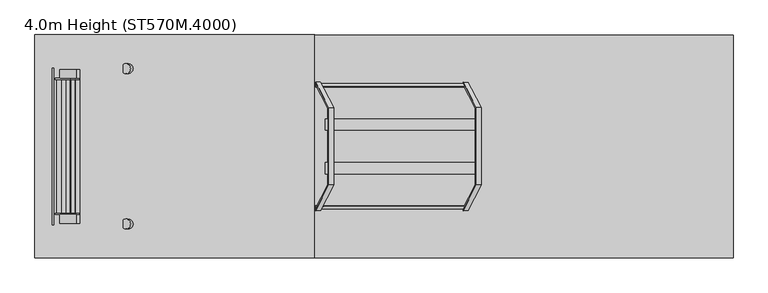
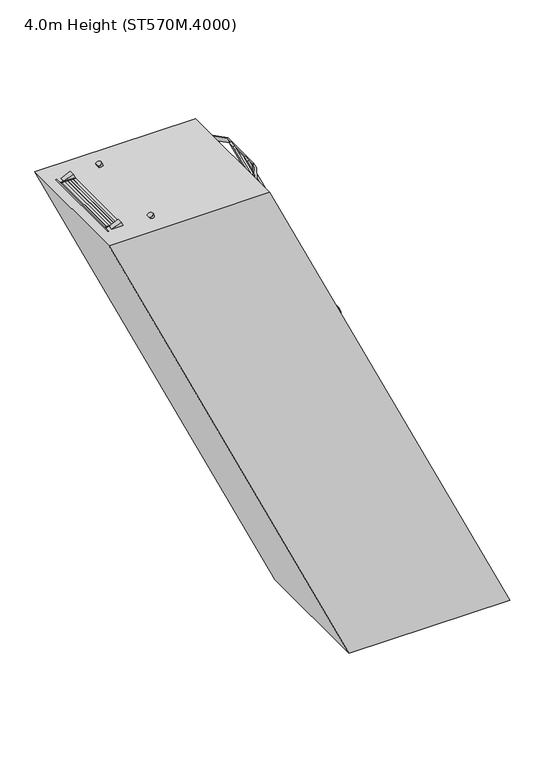
"""IFC4 building model written with IfcOpenShell, lengths in millimetres: proxy geometry, 4.0m Height (ST570M.4000)."""

from ifc_helpers import new_model, si_unit, point, frame, frame_2d, origin, origin_with_axes, place, context, project, spatial, polyline, circle_curve, trimmed, segment, composite_curve, outline, extrude, source, transform, mapped, element, save


def proxy_4_0m_height_st570m_4000_2827c44c(model_context):
    return source(origin(), model_context, "Body", "SweptSolid", [
        extrude(outline(polyline([(3750.0, -171.2610211), (3670.0, -133.9564135), (3670.0, -23.6186164), (3750.0, -60.9232291), (3750.0, -171.2610211)])), frame((0.0, 298.5, 0.0), z_axis=(0.0, 1.0, 0.0), x_axis=(0.0, 0.0, 1.0)), (0.0, 0.0, 1.0), 6.0),
        extrude(outline(polyline([(3750.0, -171.2610211), (3670.0, -133.9564135), (3670.0, -23.6186164), (3750.0, -60.9232291), (3750.0, -171.2610211)])), frame((0.0, -304.5, 0.0), z_axis=(0.0, 1.0, 0.0), x_axis=(0.0, 0.0, 1.0)), (0.0, 0.0, 1.0), 6.0),
        extrude(outline(polyline([(3750.0, -164.0890648), (3712.0999991, -146.4160065), (3712.0999991, -144.2092508), (3747.0, -160.4833862), (3747.0, -61.7310619), (3712.0999991, -45.4569243), (3712.0999991, -43.2501684), (3750.0, -60.9232291), (3750.0, -81.3509702), (3749.2749538, -81.6890648), (3750.0, -82.0271594), (3750.0, -101.9509702), (3749.2749538, -102.2890648), (3750.0, -102.6271594), (3750.0, -122.5509702), (3749.2749538, -122.8890648), (3750.0, -123.2271594), (3750.0, -143.1509702), (3749.2749538, -143.4890648), (3750.0, -143.8271594), (3750.0, -164.0890648)])), frame((0.0, -298.5, 0.0), z_axis=(0.0, 1.0, 0.0), x_axis=(0.0, 0.0, 1.0)), (0.0, 0.0, 1.0), 597.0),
        extrude(outline(polyline([(3500.0, -54.6842502), (3420.0, -17.3796426), (3420.0, 92.9581545), (3500.0, 55.6535419), (3500.0, -54.6842502)])), frame((0.0, 298.5, 0.0), z_axis=(0.0, 1.0, 0.0), x_axis=(0.0, 0.0, 1.0)), (0.0, 0.0, 1.0), 6.0),
        extrude(outline(polyline([(3500.0, -54.6842502), (3420.0, -17.3796426), (3420.0, 92.9581545), (3500.0, 55.6535419), (3500.0, -54.6842502)])), frame((0.0, -304.5, 0.0), z_axis=(0.0, 1.0, 0.0), x_axis=(0.0, 0.0, 1.0)), (0.0, 0.0, 1.0), 6.0),
        extrude(outline(polyline([(3500.0, -47.5122939), (3462.0999991, -29.8392356), (3462.0999991, -27.6324798), (3497.0, -43.9066153), (3497.0, 54.845709), (3462.0999991, 71.1198467), (3462.0999991, 73.3266025), (3500.0, 55.6535419), (3500.0, 35.2258007), (3499.2749538, 34.8877061), (3500.0, 34.5496116), (3500.0, 14.6258007), (3499.2749538, 14.2877061), (3500.0, 13.9496116), (3500.0, -5.9741993), (3499.2749538, -6.3122939), (3500.0, -6.6503884), (3500.0, -26.5741993), (3499.2749538, -26.9122939), (3500.0, -27.2503884), (3500.0, -47.5122939)])), frame((0.0, -298.5, 0.0), z_axis=(0.0, 1.0, 0.0), x_axis=(0.0, 0.0, 1.0)), (0.0, 0.0, 1.0), 597.0),
        extrude(outline(polyline([(3250.0, 61.8925208), (3170.0, 99.1971284), (3170.0, 209.5349255), (3250.0, 172.2303128), (3250.0, 61.8925208)])), frame((0.0, 298.5, 0.0), z_axis=(0.0, 1.0, 0.0), x_axis=(0.0, 0.0, 1.0)), (0.0, 0.0, 1.0), 6.0),
        extrude(outline(polyline([(3250.0, 61.8925208), (3170.0, 99.1971284), (3170.0, 209.5349255), (3250.0, 172.2303128), (3250.0, 61.8925208)])), frame((0.0, -304.5, 0.0), z_axis=(0.0, 1.0, 0.0), x_axis=(0.0, 0.0, 1.0)), (0.0, 0.0, 1.0), 6.0),
        extrude(outline(polyline([(3250.0, 69.0644771), (3212.0999991, 86.7375353), (3212.0999991, 88.9442911), (3247.0, 72.6701557), (3247.0, 171.4224799), (3212.0999991, 187.6966176), (3212.0999991, 189.9033734), (3250.0, 172.2303128), (3250.0, 151.8025717), (3249.2749538, 151.4644771), (3250.0, 151.1263825), (3250.0, 131.2025717), (3249.2749538, 130.8644771), (3250.0, 130.5263825), (3250.0, 110.6025717), (3249.2749538, 110.2644771), (3250.0, 109.9263825), (3250.0, 90.0025717), (3249.2749538, 89.6644771), (3250.0, 89.3263825), (3250.0, 69.0644771)])), frame((0.0, -298.5, 0.0), z_axis=(0.0, 1.0, 0.0), x_axis=(0.0, 0.0, 1.0)), (0.0, 0.0, 1.0), 597.0),
        extrude(outline(polyline([(3000.0, 178.4692917), (2920.0, 215.7738993), (2920.0, 326.1116964), (3000.0, 288.8070837), (3000.0, 178.4692917)])), frame((0.0, 298.5, 0.0), z_axis=(0.0, 1.0, 0.0), x_axis=(0.0, 0.0, 1.0)), (0.0, 0.0, 1.0), 6.0),
        extrude(outline(polyline([(3000.0, 178.4692917), (2920.0, 215.7738993), (2920.0, 326.1116964), (3000.0, 288.8070837), (3000.0, 178.4692917)])), frame((0.0, -304.5, 0.0), z_axis=(0.0, 1.0, 0.0), x_axis=(0.0, 0.0, 1.0)), (0.0, 0.0, 1.0), 6.0),
        extrude(outline(polyline([(3000.0, 185.641248), (2962.0999991, 203.3143063), (2962.0999991, 205.5210621), (2997.0, 189.2469266), (2997.0, 287.9992509), (2962.0999991, 304.2733885), (2962.0999991, 306.4801444), (3000.0, 288.8070837), (3000.0, 268.3793426), (2999.2749538, 268.041248), (3000.0, 267.7031534), (3000.0, 247.7793426), (2999.2749538, 247.441248), (3000.0, 247.1031534), (3000.0, 227.1793426), (2999.2749538, 226.841248), (3000.0, 226.5031534), (3000.0, 206.5793426), (2999.2749538, 206.241248), (3000.0, 205.9031534), (3000.0, 185.641248)])), frame((0.0, -298.5, 0.0), z_axis=(0.0, 1.0, 0.0), x_axis=(0.0, 0.0, 1.0)), (0.0, 0.0, 1.0), 597.0),
        extrude(outline(polyline([(2750.0, 295.0460627), (2670.0, 332.3506703), (2670.0, 442.6884673), (2750.0, 405.3838547), (2750.0, 295.0460627)])), frame((0.0, 298.5, 0.0), z_axis=(0.0, 1.0, 0.0), x_axis=(0.0, 0.0, 1.0)), (0.0, 0.0, 1.0), 6.0),
        extrude(outline(polyline([(2750.0, 295.0460627), (2670.0, 332.3506703), (2670.0, 442.6884673), (2750.0, 405.3838547), (2750.0, 295.0460627)])), frame((0.0, -304.5, 0.0), z_axis=(0.0, 1.0, 0.0), x_axis=(0.0, 0.0, 1.0)), (0.0, 0.0, 1.0), 6.0),
        extrude(outline(polyline([(2750.0, 302.218019), (2712.0999991, 319.8910772), (2712.0999991, 322.097833), (2747.0, 305.8236975), (2747.0, 404.5760218), (2712.0999991, 420.8501595), (2712.0999991, 423.0569153), (2750.0, 405.3838547), (2750.0, 384.9561135), (2749.2749538, 384.618019), (2750.0, 384.2799244), (2750.0, 364.3561135), (2749.2749538, 364.018019), (2750.0, 363.6799244), (2750.0, 343.7561135), (2749.2749538, 343.418019), (2750.0, 343.0799244), (2750.0, 323.1561135), (2749.2749538, 322.818019), (2750.0, 322.4799244), (2750.0, 302.218019)])), frame((0.0, -298.5, 0.0), z_axis=(0.0, 1.0, 0.0), x_axis=(0.0, 0.0, 1.0)), (0.0, 0.0, 1.0), 597.0),
        extrude(outline(polyline([(2500.0, 411.6228336), (2420.0, 448.9274412), (2420.0, 559.2652383), (2500.0, 521.9606256), (2500.0, 411.6228336)])), frame((0.0, 298.5, 0.0), z_axis=(0.0, 1.0, 0.0), x_axis=(0.0, 0.0, 1.0)), (0.0, 0.0, 1.0), 6.0),
        extrude(outline(polyline([(2500.0, 411.6228336), (2420.0, 448.9274412), (2420.0, 559.2652383), (2500.0, 521.9606256), (2500.0, 411.6228336)])), frame((0.0, -304.5, 0.0), z_axis=(0.0, 1.0, 0.0), x_axis=(0.0, 0.0, 1.0)), (0.0, 0.0, 1.0), 6.0),
        extrude(outline(polyline([(2500.0, 418.7947899), (2462.0999991, 436.4678481), (2462.0999991, 438.6746039), (2497.0, 422.4004685), (2497.0, 521.1527927), (2462.0999991, 537.4269304), (2462.0999991, 539.6336863), (2500.0, 521.9606256), (2500.0, 501.5328845), (2499.2749538, 501.1947899), (2500.0, 500.8566953), (2500.0, 480.9328845), (2499.2749538, 480.5947899), (2500.0, 480.2566953), (2500.0, 460.3328845), (2499.2749538, 459.9947899), (2500.0, 459.6566953), (2500.0, 439.7328845), (2499.2749538, 439.3947899), (2500.0, 439.0566953), (2500.0, 418.7947899)])), frame((0.0, -298.5, 0.0), z_axis=(0.0, 1.0, 0.0), x_axis=(0.0, 0.0, 1.0)), (0.0, 0.0, 1.0), 597.0),
        extrude(outline(polyline([(2250.0, 528.1996045), (2170.0, 565.5042121), (2170.0, 675.8420092), (2250.0, 638.5373965), (2250.0, 528.1996045)])), frame((0.0, 298.5, 0.0), z_axis=(0.0, 1.0, 0.0), x_axis=(0.0, 0.0, 1.0)), (0.0, 0.0, 1.0), 6.0),
        extrude(outline(polyline([(2250.0, 528.1996045), (2170.0, 565.5042121), (2170.0, 675.8420092), (2250.0, 638.5373965), (2250.0, 528.1996045)])), frame((0.0, -304.5, 0.0), z_axis=(0.0, 1.0, 0.0), x_axis=(0.0, 0.0, 1.0)), (0.0, 0.0, 1.0), 6.0),
        extrude(outline(polyline([(2250.0, 535.3715608), (2212.0999991, 553.0446191), (2212.0999991, 555.2513749), (2247.0, 538.9772394), (2247.0, 637.7295637), (2212.0999991, 654.0037014), (2212.0999991, 656.2104572), (2250.0, 638.5373965), (2250.0, 618.1096554), (2249.2749538, 617.7715608), (2250.0, 617.4334663), (2250.0, 597.5096554), (2249.2749538, 597.1715608), (2250.0, 596.8334663), (2250.0, 576.9096554), (2249.2749538, 576.5715608), (2250.0, 576.2334663), (2250.0, 556.3096554), (2249.2749538, 555.9715608), (2250.0, 555.6334663), (2250.0, 535.3715608)])), frame((0.0, -298.5, 0.0), z_axis=(0.0, 1.0, 0.0), x_axis=(0.0, 0.0, 1.0)), (0.0, 0.0, 1.0), 597.0),
        extrude(outline(polyline([(2000.0, 644.7763755), (1920.0, 682.0809831), (1920.0, 792.4187801), (2000.0, 755.1141675), (2000.0, 644.7763755)])), frame((0.0, 298.5, 0.0), z_axis=(0.0, 1.0, 0.0), x_axis=(0.0, 0.0, 1.0)), (0.0, 0.0, 1.0), 6.0),
        extrude(outline(polyline([(2000.0, 644.7763755), (1920.0, 682.0809831), (1920.0, 792.4187801), (2000.0, 755.1141675), (2000.0, 644.7763755)])), frame((0.0, -304.5, 0.0), z_axis=(0.0, 1.0, 0.0), x_axis=(0.0, 0.0, 1.0)), (0.0, 0.0, 1.0), 6.0),
        extrude(outline(polyline([(2000.0, 651.9483318), (1962.0999991, 669.62139), (1962.0999991, 671.8281458), (1997.0, 655.5540103), (1997.0, 754.3063346), (1962.0999991, 770.5804723), (1962.0999991, 772.7872281), (2000.0, 755.1141675), (2000.0, 734.6864263), (1999.2749538, 734.3483318), (2000.0, 734.0102372), (2000.0, 714.0864263), (1999.2749538, 713.7483318), (2000.0, 713.4102372), (2000.0, 693.4864263), (1999.2749538, 693.1483318), (2000.0, 692.8102372), (2000.0, 672.8864263), (1999.2749538, 672.5483318), (2000.0, 672.2102372), (2000.0, 651.9483318)])), frame((0.0, -298.5, 0.0), z_axis=(0.0, 1.0, 0.0), x_axis=(0.0, 0.0, 1.0)), (0.0, 0.0, 1.0), 597.0),
        extrude(outline(polyline([(1750.0, 761.3531464), (1670.0, 798.657754), (1670.0, 908.9955511), (1750.0, 871.6909384), (1750.0, 761.3531464)])), frame((0.0, 298.5, 0.0), z_axis=(0.0, 1.0, 0.0), x_axis=(0.0, 0.0, 1.0)), (0.0, 0.0, 1.0), 6.0),
        extrude(outline(polyline([(1750.0, 761.3531464), (1670.0, 798.657754), (1670.0, 908.9955511), (1750.0, 871.6909384), (1750.0, 761.3531464)])), frame((0.0, -304.5, 0.0), z_axis=(0.0, 1.0, 0.0), x_axis=(0.0, 0.0, 1.0)), (0.0, 0.0, 1.0), 6.0),
        extrude(outline(polyline([(1750.0, 768.5251027), (1712.0999991, 786.1981609), (1712.0999991, 788.4049167), (1747.0, 772.1307813), (1747.0, 870.8831056), (1712.0999991, 887.1572432), (1712.0999991, 889.3639991), (1750.0, 871.6909384), (1750.0, 851.2631973), (1749.2749538, 850.9251027), (1750.0, 850.5870081), (1750.0, 830.6631973), (1749.2749538, 830.3251027), (1750.0, 829.9870081), (1750.0, 810.0631973), (1749.2749538, 809.7251027), (1750.0, 809.3870081), (1750.0, 789.4631973), (1749.2749538, 789.1251027), (1750.0, 788.7870081), (1750.0, 768.5251027)])), frame((0.0, -298.5, 0.0), z_axis=(0.0, 1.0, 0.0), x_axis=(0.0, 0.0, 1.0)), (0.0, 0.0, 1.0), 597.0),
        extrude(outline(polyline([(1500.0, 877.9299173), (1420.0, 915.2345249), (1420.0, 1025.572322), (1500.0, 988.2677094), (1500.0, 877.9299173)])), frame((0.0, 298.5, 0.0), z_axis=(0.0, 1.0, 0.0), x_axis=(0.0, 0.0, 1.0)), (0.0, 0.0, 1.0), 6.0),
        extrude(outline(polyline([(1500.0, 877.9299173), (1420.0, 915.2345249), (1420.0, 1025.572322), (1500.0, 988.2677094), (1500.0, 877.9299173)])), frame((0.0, -304.5, 0.0), z_axis=(0.0, 1.0, 0.0), x_axis=(0.0, 0.0, 1.0)), (0.0, 0.0, 1.0), 6.0),
        extrude(outline(polyline([(1500.0, 885.1018736), (1462.0999991, 902.7749319), (1462.0999991, 904.9816877), (1497.0, 888.7075522), (1497.0, 987.4598765), (1462.0999991, 1003.7340142), (1462.0999991, 1005.94077), (1500.0, 988.2677094), (1500.0, 967.8399682), (1499.2749538, 967.5018736), (1500.0, 967.1637791), (1500.0, 947.2399682), (1499.2749538, 946.9018736), (1500.0, 946.5637791), (1500.0, 926.6399682), (1499.2749538, 926.3018736), (1500.0, 925.9637791), (1500.0, 906.0399682), (1499.2749538, 905.7018736), (1500.0, 905.3637791), (1500.0, 885.1018736)])), frame((0.0, -298.5, 0.0), z_axis=(0.0, 1.0, 0.0), x_axis=(0.0, 0.0, 1.0)), (0.0, 0.0, 1.0), 597.0),
        extrude(outline(polyline([(1250.0, 994.5066883), (1170.0, 1031.8112959), (1170.0, 1142.1490929), (1250.0, 1104.8444803), (1250.0, 994.5066883)])), frame((0.0, 298.5, 0.0), z_axis=(0.0, 1.0, 0.0), x_axis=(0.0, 0.0, 1.0)), (0.0, 0.0, 1.0), 6.0),
        extrude(outline(polyline([(1250.0, 994.5066883), (1170.0, 1031.8112959), (1170.0, 1142.1490929), (1250.0, 1104.8444803), (1250.0, 994.5066883)])), frame((0.0, -304.5, 0.0), z_axis=(0.0, 1.0, 0.0), x_axis=(0.0, 0.0, 1.0)), (0.0, 0.0, 1.0), 6.0),
        extrude(outline(polyline([(1250.0, 1001.6786446), (1212.0999991, 1019.3517028), (1212.0999991, 1021.5584586), (1247.0, 1005.2843231), (1247.0, 1104.0366474), (1212.0999991, 1120.3107851), (1212.0999991, 1122.5175409), (1250.0, 1104.8444803), (1250.0, 1084.4167391), (1249.2749538, 1084.0786446), (1250.0, 1083.74055), (1250.0, 1063.8167391), (1249.2749538, 1063.4786446), (1250.0, 1063.14055), (1250.0, 1043.2167391), (1249.2749538, 1042.8786446), (1250.0, 1042.54055), (1250.0, 1022.6167391), (1249.2749538, 1022.2786446), (1250.0, 1021.94055), (1250.0, 1001.6786446)])), frame((0.0, -298.5, 0.0), z_axis=(0.0, 1.0, 0.0), x_axis=(0.0, 0.0, 1.0)), (0.0, 0.0, 1.0), 597.0),
        extrude(outline(polyline([(1000.0, 1111.0834592), (920.0, 1148.3880668), (920.0, 1258.7258639), (1000.0, 1221.4212512), (1000.0, 1111.0834592)])), frame((0.0, 298.5, 0.0), z_axis=(0.0, 1.0, 0.0), x_axis=(0.0, 0.0, 1.0)), (0.0, 0.0, 1.0), 6.0),
        extrude(outline(polyline([(1000.0, 1111.0834592), (920.0, 1148.3880668), (920.0, 1258.7258639), (1000.0, 1221.4212512), (1000.0, 1111.0834592)])), frame((0.0, -304.5, 0.0), z_axis=(0.0, 1.0, 0.0), x_axis=(0.0, 0.0, 1.0)), (0.0, 0.0, 1.0), 6.0),
        extrude(outline(polyline([(1000.0, 1118.2554155), (962.0999991, 1135.9284737), (962.0999991, 1138.1352295), (997.0, 1121.8610941), (997.0, 1220.6134184), (962.0999991, 1236.887556), (962.0999991, 1239.0943119), (1000.0, 1221.4212512), (1000.0, 1200.9935101), (999.2749538, 1200.6554155), (1000.0, 1200.3173209), (1000.0, 1180.3935101), (999.2749538, 1180.0554155), (1000.0, 1179.7173209), (1000.0, 1159.7935101), (999.2749538, 1159.4554155), (1000.0, 1159.1173209), (1000.0, 1139.1935101), (999.2749538, 1138.8554155), (1000.0, 1138.5173209), (1000.0, 1118.2554155)])), frame((0.0, -298.5, 0.0), z_axis=(0.0, 1.0, 0.0), x_axis=(0.0, 0.0, 1.0)), (0.0, 0.0, 1.0), 597.0),
        extrude(outline(polyline([(750.0, 1227.6602301), (670.0, 1264.9648377), (670.0, 1375.3026348), (750.0, 1337.9980222), (750.0, 1227.6602301)])), frame((0.0, 298.5, 0.0), z_axis=(0.0, 1.0, 0.0), x_axis=(0.0, 0.0, 1.0)), (0.0, 0.0, 1.0), 6.0),
        extrude(outline(polyline([(750.0, 1227.6602301), (670.0, 1264.9648377), (670.0, 1375.3026348), (750.0, 1337.9980222), (750.0, 1227.6602301)])), frame((0.0, -304.5, 0.0), z_axis=(0.0, 1.0, 0.0), x_axis=(0.0, 0.0, 1.0)), (0.0, 0.0, 1.0), 6.0),
        extrude(outline(polyline([(750.0, 1234.8321864), (712.0999991, 1252.5052447), (712.0999991, 1254.7120005), (747.0, 1238.437865), (747.0, 1337.1901893), (712.0999991, 1353.464327), (712.0999991, 1355.6710828), (750.0, 1337.9980222), (750.0, 1317.570281), (749.2749538, 1317.2321864), (750.0, 1316.8940919), (750.0, 1296.970281), (749.2749538, 1296.6321864), (750.0, 1296.2940919), (750.0, 1276.370281), (749.2749538, 1276.0321864), (750.0, 1275.6940919), (750.0, 1255.770281), (749.2749538, 1255.4321864), (750.0, 1255.0940919), (750.0, 1234.8321864)])), frame((0.0, -298.5, 0.0), z_axis=(0.0, 1.0, 0.0), x_axis=(0.0, 0.0, 1.0)), (0.0, 0.0, 1.0), 597.0),
        extrude(outline(polyline([(500.0, 1344.2370011), (420.0, 1381.5416087), (420.0, 1491.8794057), (500.0, 1454.5747931), (500.0, 1344.2370011)])), frame((0.0, 298.5, 0.0), z_axis=(0.0, 1.0, 0.0), x_axis=(0.0, 0.0, 1.0)), (0.0, 0.0, 1.0), 6.0),
        extrude(outline(polyline([(500.0, 1344.2370011), (420.0, 1381.5416087), (420.0, 1491.8794057), (500.0, 1454.5747931), (500.0, 1344.2370011)])), frame((0.0, -304.5, 0.0), z_axis=(0.0, 1.0, 0.0), x_axis=(0.0, 0.0, 1.0)), (0.0, 0.0, 1.0), 6.0),
        extrude(outline(polyline([(500.0, 1351.4089574), (462.0999991, 1369.0820156), (462.0999991, 1371.2887714), (497.0, 1355.0146359), (497.0, 1453.7669602), (462.0999991, 1470.0410979), (462.0999991, 1472.2478537), (500.0, 1454.5747931), (500.0, 1434.1470519), (499.2749538, 1433.8089574), (500.0, 1433.4708628), (500.0, 1413.5470519), (499.2749538, 1413.2089574), (500.0, 1412.8708628), (500.0, 1392.9470519), (499.2749538, 1392.6089574), (500.0, 1392.2708628), (500.0, 1372.3470519), (499.2749538, 1372.0089574), (500.0, 1371.6708628), (500.0, 1351.4089574)])), frame((0.0, -298.5, 0.0), z_axis=(0.0, 1.0, 0.0), x_axis=(0.0, 0.0, 1.0)), (0.0, 0.0, 1.0), 597.0),
        extrude(outline(polyline([(644.0702537, 296.0), (650.0702537, 296.0), (650.0702537, 246.0), (644.0702537, 246.0), (644.0702537, 296.0)])), frame((0.0, 0.0, 1937.9937046), z_axis=(0.0, 0.0, 1.0), x_axis=(1.0, 0.0, 0.0)), (0.0, 0.0, 1.0), 120.0),
        extrude(outline(polyline([(1999.9937046, 755.1160979), (2057.9937046, 728.0702537), (2057.9937046, 650.0702537), (1999.9937046, 650.0702537), (1999.9937046, 755.1160979)])), frame((0.0, 252.0, 0.0), z_axis=(0.0, 1.0, 0.0), x_axis=(0.0, 0.0, 1.0)), (0.0, 0.0, 1.0), 38.0),
        extrude(outline(polyline([(650.0702537, -296.0), (644.0702537, -296.0), (644.0702537, -246.0), (650.0702537, -246.0), (650.0702537, -296.0)])), frame((0.0, 0.0, 1937.9937046), z_axis=(0.0, 0.0, 1.0), x_axis=(1.0, 0.0, 0.0)), (0.0, 0.0, 1.0), 120.0),
        extrude(outline(polyline([(1999.9937046, 755.1160979), (2057.9937046, 728.0702537), (2057.9937046, 650.0702537), (1999.9937046, 650.0702537), (1999.9937046, 755.1160979)])), frame((0.0, -290.0, 0.0), z_axis=(0.0, 1.0, 0.0), x_axis=(0.0, 0.0, 1.0)), (0.0, 0.0, 1.0), 38.0),
        extrude(outline(polyline([(0.0, -590.0), (0.0, 0.0), (2.0, 0.0), (2.0, -590.0), (0.0, -590.0)])), frame((1708.8743802, -295.0, 49.300531), z_axis=(-0.4226182617407114, 0.0, 0.9063077870366444), x_axis=(-0.9063077870366444, 0.0, -0.4226182617407114)), (0.0, 0.0, 1.0), 2240.0),
        extrude(outline(polyline([(2250.0, 0.0), (2250.0, -600.0), (0.0, -600.0), (0.0, 0.0), (2250.0, 0.0)]), holes=[polyline([(1096.0, -58.0), (58.0, -58.0), (58.0, -542.0), (1096.0, -542.0), (1096.0, -58.0)]), polyline([(1153.9999999, -542.0), (2192.0, -542.0), (2192.0, -58.0), (1153.9999999, -58.0), (1153.9999999, -542.0)])]), frame((723.8440711, 300.0, 2067.0567824), z_axis=(0.9063077870366444, 0.0, 0.4226182617407114), x_axis=(0.4226182617407114, 0.0, -0.9063077870366444)), (0.0, 0.0, 1.0), 38.0),
        extrude(outline(polyline([(0.0, 0.0), (79.9999999, 0.0), (79.9999999, -6.0), (6.0, -6.0), (6.0, -50.0), (0.0, -50.0), (0.0, 0.0)])), frame((1607.1162381, 343.0, 172.8735075), z_axis=(-0.4226182617407114, 0.0, 0.9063077870366444), x_axis=(-0.9063077870366444, 0.0, -0.4226182617407114)), (0.0, 0.0, 1.0), 50.0),
        extrude(outline(polyline([(0.0, 686.0), (0.0, 736.0), (6.0, 736.0), (6.0, 692.0), (79.9999999, 692.0), (79.9999999, 686.0), (0.0, 686.0)])), frame((1607.1162381, 343.0, 172.8735075), z_axis=(-0.4226182617407114, 0.0, 0.9063077870366444), x_axis=(-0.9063077870366444, 0.0, -0.4226182617407114)), (0.0, 0.0, 1.0), 50.0),
        extrude(outline(polyline([(-100.0, 0.0), (0.0, 0.0), (0.0, -50.0), (-6.0, -50.0), (-6.0, -6.0), (-100.0, -6.0), (-100.0, 0.0)])), frame((1607.1162381, -300.0, 172.8735075), z_axis=(-0.4226182617407114, 0.0, 0.9063077870366444), x_axis=(0.0, 1.0, 0.0)), (0.0, 0.0, 1.0), 50.0),
        extrude(outline(polyline([(700.0, 0.0), (700.0, -6.0), (606.0, -6.0), (606.0, -50.0), (600.0, -50.0), (600.0, 0.0), (700.0, 0.0)])), frame((1607.1162381, -300.0, 172.8735075), z_axis=(-0.4226182617407114, 0.0, 0.9063077870366444), x_axis=(0.0, 1.0, 0.0)), (0.0, 0.0, 1.0), 50.0),
        extrude(outline(polyline([(1117.384258, 1210.8187587), (1131.778934, 1257.0685512), (1037.5229241, 1301.0208504), (1011.3462469, 1260.2650953), (988.6885523, 1270.8305519), (992.9147349, 1279.8936297), (1007.4156595, 1273.1317376), (1033.5923367, 1313.8874926), (1144.1618867, 1262.3280647), (1129.7672107, 1216.0782722), (1144.2681353, 1209.31638), (1140.0419527, 1200.2533022), (1117.384258, 1210.8187587)])), frame((0.0, 201.0, 0.0), z_axis=(0.0, 1.0, 0.0), x_axis=(0.0, 0.0, 1.0)), (0.0, 0.0, 1.0), 44.0),
        extrude(outline(polyline([(1117.384258, 1210.8187587), (1131.778934, 1257.0685512), (1037.5229241, 1301.0208504), (1011.3462469, 1260.2650953), (988.6885523, 1270.8305519), (992.9147349, 1279.8936297), (1007.4156595, 1273.1317376), (1033.5923367, 1313.8874926), (1144.1618867, 1262.3280647), (1129.7672107, 1216.0782722), (1144.2681353, 1209.31638), (1140.0419527, 1200.2533022), (1117.384258, 1210.8187587)])), frame((0.0, -245.0, 0.0), z_axis=(0.0, 1.0, 0.0), x_axis=(0.0, 0.0, 1.0)), (0.0, 0.0, 1.0), 44.0),
        extrude(outline(polyline([(-6.0, 0.0), (0.0, 0.0), (0.0, -77.584026), (99.0, -180.584026), (99.0, -827.0), (-1.0, -995.0), (-176.0, -1095.0), (-522.0, -1095.0), (-697.0, -995.0), (-797.0, -827.0), (-797.0, -180.584026), (-698.0, -77.584026), (-698.0, 0.0), (-692.0, 0.0), (-692.0, -80.0), (-791.0, -183.0000001), (-791.0, -825.4066134), (-692.6024049, -990.6024049), (-520.4066134, -1089.0), (-177.5933866, -1089.0), (-5.3975951, -990.6024049), (93.0, -825.4066134), (93.0, -183.0000001), (-6.0, -80.0), (-6.0, 0.0)])), frame((620.2121629, 349.0, 2100.0), z_axis=(-0.4226182617407114, 0.0, 0.9063077870366444), x_axis=(0.0, 1.0, 0.0)), (0.0, 0.0, 1.0), 50.0),
        extrude(outline(polyline([(0.0, 0.0), (50.0, 0.0), (50.0, -12.0), (0.0, -12.0), (0.0, 0.0)])), frame((1036.2074372, 430.0, 2293.9817821), z_axis=(-0.4226182617407114, 0.0, 0.9063077870366444), x_axis=(-0.9063077870366444, 0.0, -0.4226182617407114)), (0.0, 0.0, 1.0), 1606.418046),
        extrude(outline(polyline([(-210.0, 0.0), (-160.0, 0.0), (-160.0, -12.0), (-210.0, -12.0), (-210.0, 0.0)])), frame((1036.2074372, 430.0, 2293.9817821), z_axis=(-0.4226182617407114, 0.0, 0.9063077870366444), x_axis=(-0.9063077870366444, 0.0, -0.4226182617407114)), (0.0, 0.0, 1.0), 1606.418046),
        extrude(outline(polyline([(-630.0, 357.5), (-618.0, 357.5), (-618.0, 307.5), (-630.0, 307.5), (-630.0, 357.5)])), frame((1036.2074372, 430.0, 2293.9817821), z_axis=(-0.4226182617407114, 0.0, 0.9063077870366444), x_axis=(-0.9063077870366444, 0.0, -0.4226182617407114)), (0.0, 0.0, 1.0), 1606.418046),
        extrude(outline(polyline([(-630.0, 552.5), (-618.0, 552.5), (-618.0, 502.5), (-630.0, 502.5), (-630.0, 552.5)])), frame((1036.2074372, 430.0, 2293.9817821), z_axis=(-0.4226182617407114, 0.0, 0.9063077870366444), x_axis=(-0.9063077870366444, 0.0, -0.4226182617407114)), (0.0, 0.0, 1.0), 1606.418046),
        extrude(outline(polyline([(-210.0, 872.0), (-160.0, 872.0), (-160.0, 860.0), (-210.0, 860.0), (-210.0, 872.0)])), frame((1036.2074372, 430.0, 2293.9817821), z_axis=(-0.4226182617407114, 0.0, 0.9063077870366444), x_axis=(-0.9063077870366444, 0.0, -0.4226182617407114)), (0.0, 0.0, 1.0), 1606.418046),
        extrude(outline(polyline([(0.0, 872.0), (50.0, 872.0), (50.0, 860.0), (0.0, 860.0), (0.0, 872.0)])), frame((1036.2074372, 430.0, 2293.9817821), z_axis=(-0.4226182617407114, 0.0, 0.9063077870366444), x_axis=(-0.9063077870366444, 0.0, -0.4226182617407114)), (0.0, 0.0, 1.0), 1606.418046),
        extrude(outline(polyline([(-416.178252, 29.5287957), (-373.2212406, 3.9417841), (-379.3621234, -6.3678986), (-422.3191348, 19.2191129), (-416.178252, 29.5287957)])), frame((1036.2074372, 430.0, 2293.9817821), z_axis=(-0.4226182617407114, 0.0, 0.9063077870366444), x_axis=(-0.9063077870366444, 0.0, -0.4226182617407114)), (0.0, 0.0, 1.0), 1606.418046),
        extrude(outline(polyline([(-578.1954412, 161.8104088), (-567.7765236, 167.7640761), (-542.9695766, 124.351919), (-553.3884944, 118.3982517), (-578.1954412, 161.8104088)])), frame((1036.2074372, 430.0, 2293.9817821), z_axis=(-0.4226182617407114, 0.0, 0.9063077870366444), x_axis=(-0.9063077870366444, 0.0, -0.4226182617407114)), (0.0, 0.0, 1.0), 1606.418046),
        extrude(outline(polyline([(-416.178252, 830.4712043), (-422.3191348, 840.7808871), (-379.3621234, 866.3678986), (-373.2212406, 856.0582159), (-416.178252, 830.4712043)])), frame((1036.2074372, 430.0, 2293.9817821), z_axis=(-0.4226182617407114, 0.0, 0.9063077870366444), x_axis=(-0.9063077870366444, 0.0, -0.4226182617407114)), (0.0, 0.0, 1.0), 1606.418046),
        extrude(outline(polyline([(-578.1954412, 698.1895912), (-553.3884944, 741.6017483), (-542.9695766, 735.648081), (-567.7765236, 692.2359239), (-578.1954412, 698.1895912)])), frame((1036.2074372, 430.0, 2293.9817821), z_axis=(-0.4226182617407114, 0.0, 0.9063077870366444), x_axis=(-0.9063077870366444, 0.0, -0.4226182617407114)), (0.0, 0.0, 1.0), 1606.418046),
        extrude(outline(polyline([(-6.0, 0.0), (0.0, 0.0), (0.0, -77.584026), (99.0, -180.5840259), (99.0, -827.0), (-1.0, -995.0), (-176.0, -1095.0), (-522.0, -1095.0), (-697.0, -995.0), (-797.0, -827.0), (-797.0, -180.5840259), (-698.0, -77.584026), (-698.0, 0.0), (-692.0, 0.0), (-692.0, -79.9999999), (-791.0, -183.0), (-791.0, -825.4066133), (-692.6024049, -990.6024049), (-520.4066134, -1089.0), (-177.5933866, -1089.0), (-5.3975951, -990.6024049), (93.0, -825.4066133), (93.0, -183.0), (-6.0, -79.9999999), (-6.0, 0.0)])), frame((-37.5585262, 349.0, 3510.593795), z_axis=(-0.4226182617407114, 0.0, 0.9063077870366444), x_axis=(0.0, 1.0, 0.0)), (0.0, 0.0, 1.0), 50.0),
        extrude(outline(polyline([(0.0, -32.0), (0.0, 0.0), (3.0, 0.0), (3.0, -32.0), (0.0, -32.0)])), frame((747.3444812, 331.0, 2441.3931744), z_axis=(-0.4226182617407114, 0.0, 0.9063077870366444), x_axis=(-0.9063077870366444, 0.0, -0.4226182617407114)), (0.0, 0.0, 1.0), 140.0),
        extrude(outline(polyline([(0.0, -32.0), (0.0, 0.0), (3.0, 0.0), (3.0, -32.0), (0.0, -32.0)])), frame((1394.2628182, 331.0, 1054.0723238), z_axis=(-0.4226182617407114, 0.0, 0.9063077870366444), x_axis=(-0.9063077870366444, 0.0, -0.4226182617407114)), (0.0, 0.0, 1.0), 140.0),
        extrude(outline(polyline([(0.0, -32.0), (0.0, 0.0), (3.0, 0.0), (3.0, -32.0), (0.0, -32.0)])), frame((100.4261443, 331.0, 3828.7140249), z_axis=(-0.4226182617407114, 0.0, 0.9063077870366444), x_axis=(-0.9063077870366444, 0.0, -0.4226182617407114)), (0.0, 0.0, 1.0), 140.0),
        extrude(outline(composite_curve([segment(polyline([(2467.3145532, 731.94701), (2539.8191762, 698.1375491), (2435.4324655, 474.2795257)]), True, "CONTINUOUS"), segment(trimmed(circle_curve(frame_2d((2429.9946188, 476.8152353)), 6.0), [point((2435.4324655, 474.2795257))], [point((2427.4589092, 471.3773885))], False, "CARTESIAN"), True, "CONTINUOUS"), segment(polyline([(2427.4589092, 471.3773885), (2365.8299797, 500.1154303)]), True, "CONTINUOUS"), segment(trimmed(circle_curve(frame_2d((2368.3656893, 505.5532771)), 6.0), [point((2365.8299797, 500.1154303))], [point((2362.9278425, 508.0889866))], False, "CARTESIAN"), True, "CONTINUOUS"), segment(polyline([(2362.9278425, 508.0889866), (2467.3145532, 731.94701)]), True, "CONTINUOUS")], self_intersect=False)), frame((0.0, 344.0, 0.0), z_axis=(0.0, 1.0, 0.0), x_axis=(0.0, 0.0, 1.0)), (0.0, 0.0, 1.0), 6.0),
        extrude(outline(composite_curve([segment(polyline([(1079.9937026, 1378.865347), (1152.4983256, 1345.055886), (1048.1116149, 1121.1978626)]), True, "CONTINUOUS"), segment(trimmed(circle_curve(frame_2d((1042.6737682, 1123.7335722)), 6.0), [point((1048.1116149, 1121.1978626))], [point((1040.1380586, 1118.2957255))], False, "CARTESIAN"), True, "CONTINUOUS"), segment(polyline([(1040.1380586, 1118.2957255), (978.5091291, 1147.0337673)]), True, "CONTINUOUS"), segment(trimmed(circle_curve(frame_2d((981.0448387, 1152.471614)), 6.0), [point((978.5091291, 1147.0337673))], [point((975.606992, 1155.0073236))], False, "CARTESIAN"), True, "CONTINUOUS"), segment(polyline([(975.606992, 1155.0073236), (1079.9937026, 1378.865347)]), True, "CONTINUOUS")], self_intersect=False)), frame((0.0, 344.0, 0.0), z_axis=(0.0, 1.0, 0.0), x_axis=(0.0, 0.0, 1.0)), (0.0, 0.0, 1.0), 6.0),
        extrude(outline(composite_curve([segment(polyline([(3854.6354038, 85.0286731), (3927.1400267, 51.2192122), (3822.7533161, -172.6388112)]), True, "CONTINUOUS"), segment(trimmed(circle_curve(frame_2d((3817.3154694, -170.1031017)), 6.0), [point((3822.7533161, -172.6388112))], [point((3814.7797598, -175.5409484))], False, "CARTESIAN"), True, "CONTINUOUS"), segment(polyline([(3814.7797598, -175.5409484), (3753.1508303, -146.8029066)]), True, "CONTINUOUS"), segment(trimmed(circle_curve(frame_2d((3755.6865398, -141.3650599)), 6.0), [point((3753.1508303, -146.8029066))], [point((3750.2486931, -138.8293503))], False, "CARTESIAN"), True, "CONTINUOUS"), segment(polyline([(3750.2486931, -138.8293503), (3854.6354038, 85.0286731)]), True, "CONTINUOUS")], self_intersect=False)), frame((0.0, 344.0, 0.0), z_axis=(0.0, 1.0, 0.0), x_axis=(0.0, 0.0, 1.0)), (0.0, 0.0, 1.0), 6.0),
        extrude(outline(composite_curve([segment(trimmed(circle_curve(frame_2d((0.0, 14.189404)), 22.4521533), [point((-17.4, 0.0))], [point((17.4, 0.0))], False, "CARTESIAN"), True, "CONTINUOUS"), segment(polyline([(17.4, 0.0), (-17.4, 0.0)]), True, "CONTINUOUS")], self_intersect=False)), frame((1466.1079227, 347.0, 900.0), z_axis=(-0.4226182617407114, 0.0, 0.9063077870366444), x_axis=(0.0, -1.0, 0.0)), (0.0, 0.0, 1.0), 3431.4783861),
        extrude(outline(polyline([(0.0, -32.0), (0.0, 0.0), (3.0, 0.0), (3.0, -32.0), (0.0, -32.0)])), frame((747.3444812, -363.0, 2441.3931744), z_axis=(-0.4226182617407114, 0.0, 0.9063077870366444), x_axis=(-0.9063077870366444, 0.0, -0.4226182617407114)), (0.0, 0.0, 1.0), 140.0),
        extrude(outline(polyline([(0.0, -32.0), (0.0, 0.0), (3.0, 0.0), (3.0, -32.0), (0.0, -32.0)])), frame((1394.2628182, -363.0, 1054.0723238), z_axis=(-0.4226182617407114, 0.0, 0.9063077870366444), x_axis=(-0.9063077870366444, 0.0, -0.4226182617407114)), (0.0, 0.0, 1.0), 140.0),
        extrude(outline(polyline([(0.0, -32.0), (0.0, 0.0), (3.0, 0.0), (3.0, -32.0), (0.0, -32.0)])), frame((100.4261443, -363.0, 3828.7140249), z_axis=(-0.4226182617407114, 0.0, 0.9063077870366444), x_axis=(-0.9063077870366444, 0.0, -0.4226182617407114)), (0.0, 0.0, 1.0), 140.0),
        extrude(outline(composite_curve([segment(polyline([(2467.3145532, 731.94701), (2539.8191762, 698.1375491), (2435.4324655, 474.2795257)]), True, "CONTINUOUS"), segment(trimmed(circle_curve(frame_2d((2429.9946188, 476.8152353)), 6.0), [point((2435.4324655, 474.2795257))], [point((2427.4589092, 471.3773885))], False, "CARTESIAN"), True, "CONTINUOUS"), segment(polyline([(2427.4589092, 471.3773885), (2365.8299797, 500.1154303)]), True, "CONTINUOUS"), segment(trimmed(circle_curve(frame_2d((2368.3656893, 505.5532771)), 6.0), [point((2365.8299797, 500.1154303))], [point((2362.9278425, 508.0889866))], False, "CARTESIAN"), True, "CONTINUOUS"), segment(polyline([(2362.9278425, 508.0889866), (2467.3145532, 731.94701)]), True, "CONTINUOUS")], self_intersect=False)), frame((0.0, -350.0, 0.0), z_axis=(0.0, 1.0, 0.0), x_axis=(0.0, 0.0, 1.0)), (0.0, 0.0, 1.0), 6.0),
        extrude(outline(composite_curve([segment(polyline([(1079.9937026, 1378.865347), (1152.4983256, 1345.055886), (1048.1116149, 1121.1978626)]), True, "CONTINUOUS"), segment(trimmed(circle_curve(frame_2d((1042.6737682, 1123.7335722)), 6.0), [point((1048.1116149, 1121.1978626))], [point((1040.1380586, 1118.2957255))], False, "CARTESIAN"), True, "CONTINUOUS"), segment(polyline([(1040.1380586, 1118.2957255), (978.5091291, 1147.0337673)]), True, "CONTINUOUS"), segment(trimmed(circle_curve(frame_2d((981.0448387, 1152.471614)), 6.0), [point((978.5091291, 1147.0337673))], [point((975.606992, 1155.0073236))], False, "CARTESIAN"), True, "CONTINUOUS"), segment(polyline([(975.606992, 1155.0073236), (1079.9937026, 1378.865347)]), True, "CONTINUOUS")], self_intersect=False)), frame((0.0, -350.0, 0.0), z_axis=(0.0, 1.0, 0.0), x_axis=(0.0, 0.0, 1.0)), (0.0, 0.0, 1.0), 6.0),
        extrude(outline(composite_curve([segment(polyline([(3854.6354038, 85.0286731), (3927.1400267, 51.2192122), (3822.7533161, -172.6388112)]), True, "CONTINUOUS"), segment(trimmed(circle_curve(frame_2d((3817.3154694, -170.1031017)), 6.0), [point((3822.7533161, -172.6388112))], [point((3814.7797598, -175.5409484))], False, "CARTESIAN"), True, "CONTINUOUS"), segment(polyline([(3814.7797598, -175.5409484), (3753.1508303, -146.8029066)]), True, "CONTINUOUS"), segment(trimmed(circle_curve(frame_2d((3755.6865398, -141.3650599)), 6.0), [point((3753.1508303, -146.8029066))], [point((3750.2486931, -138.8293503))], False, "CARTESIAN"), True, "CONTINUOUS"), segment(polyline([(3750.2486931, -138.8293503), (3854.6354038, 85.0286731)]), True, "CONTINUOUS")], self_intersect=False)), frame((0.0, -350.0, 0.0), z_axis=(0.0, 1.0, 0.0), x_axis=(0.0, 0.0, 1.0)), (0.0, 0.0, 1.0), 6.0),
        extrude(outline(composite_curve([segment(trimmed(circle_curve(frame_2d((0.0, 14.189404)), 22.4521533), [point((-17.4, 0.0))], [point((17.4, 0.0))], False, "CARTESIAN"), True, "CONTINUOUS"), segment(polyline([(17.4, 0.0), (-17.4, 0.0)]), True, "CONTINUOUS")], self_intersect=False)), frame((1466.1079227, -347.0, 900.0), z_axis=(-0.4226182617407114, 0.0, 0.9063077870366444), x_axis=(0.0, -1.0, 0.0)), (0.0, 0.0, 1.0), 3431.4783861),
        extrude(outline(polyline([(4000.0, -287.837792), (3920.0, -250.5331844), (3920.0, -140.1953873), (4000.0, -177.5), (4000.0, -287.837792)])), frame((0.0, 298.5, 0.0), z_axis=(0.0, 1.0, 0.0), x_axis=(0.0, 0.0, 1.0)), (0.0, 0.0, 1.0), 6.0),
        extrude(outline(polyline([(4000.0, -287.837792), (3920.0, -250.5331844), (3920.0, -140.1953873), (4000.0, -177.5), (4000.0, -287.837792)])), frame((0.0, -304.5, 0.0), z_axis=(0.0, 1.0, 0.0), x_axis=(0.0, 0.0, 1.0)), (0.0, 0.0, 1.0), 6.0),
        extrude(outline(polyline([(4000.0, -280.6658357), (3962.0999991, -262.9927775), (3962.0999991, -260.7860217), (3997.0, -277.0601572), (3997.0, -178.3078329), (3962.0999991, -162.0336952), (3962.0999991, -159.8269394), (4000.0, -177.5), (4000.0, -197.9277412), (3999.2749538, -198.2658357), (4000.0, -198.6039303), (4000.0, -218.5277412), (3999.2749538, -218.8658357), (4000.0, -219.2039303), (4000.0, -239.1277412), (3999.2749538, -239.4658357), (4000.0, -239.8039303), (4000.0, -259.7277412), (3999.2749538, -260.0658357), (4000.0, -260.4039303), (4000.0, -280.6658357)])), frame((0.0, -298.5, 0.0), z_axis=(0.0, 1.0, 0.0), x_axis=(0.0, 0.0, 1.0)), (0.0, 0.0, 1.0), 597.0),
        extrude(outline(polyline([(250.0, 1460.813772), (170.0, 1498.1183796), (170.0, 1608.4561767), (250.0, 1571.151564), (250.0, 1460.813772)])), frame((0.0, 298.5, 0.0), z_axis=(0.0, 1.0, 0.0), x_axis=(0.0, 0.0, 1.0)), (0.0, 0.0, 1.0), 6.0),
        extrude(outline(polyline([(250.0, 1460.813772), (170.0, 1498.1183796), (170.0, 1608.4561767), (250.0, 1571.151564), (250.0, 1460.813772)])), frame((0.0, -304.5, 0.0), z_axis=(0.0, 1.0, 0.0), x_axis=(0.0, 0.0, 1.0)), (0.0, 0.0, 1.0), 6.0),
        extrude(outline(polyline([(250.0, 1467.9857283), (212.0999991, 1485.6587866), (212.0999991, 1487.8655423), (247.0, 1471.5914069), (247.0, 1570.3437312), (212.0999991, 1586.6178688), (212.0999991, 1588.8246247), (250.0, 1571.151564), (250.0, 1550.7238229), (249.2749538, 1550.3857283), (250.0, 1550.0476337), (250.0, 1530.1238229), (249.2749538, 1529.7857283), (250.0, 1529.4476337), (250.0, 1509.5238229), (249.2749538, 1509.1857283), (250.0, 1508.8476337), (250.0, 1488.9238229), (249.2749538, 1488.5857283), (250.0, 1488.2476337), (250.0, 1467.9857283)])), frame((0.0, -298.5, 0.0), z_axis=(0.0, 1.0, 0.0), x_axis=(0.0, 0.0, 1.0)), (0.0, 0.0, 1.0), 597.0),
        extrude(outline(polyline([(3986.0, -170.9738468), (3986.0, -294.0), (3906.0, -294.0), (3906.0, -133.6692342), (3986.0, -170.9738468)])), frame((0.0, 344.0, 0.0), z_axis=(0.0, 1.0, 0.0), x_axis=(0.0, 0.0, 1.0)), (0.0, 0.0, 1.0), 6.0),
        extrude(outline(polyline([(3986.0, -170.9738468), (3986.0, -294.0), (3906.0, -294.0), (3906.0, -133.6692342), (3986.0, -170.9738468)])), frame((0.0, -350.0, 0.0), z_axis=(0.0, 1.0, 0.0), x_axis=(0.0, 0.0, 1.0)), (0.0, 0.0, 1.0), 6.0),
        extrude(outline(polyline([(4000.0, -294.0), (4000.0, -300.0), (3900.0, -300.0), (3900.0, -250.0), (3906.0, -250.0), (3906.0, -294.0), (4000.0, -294.0)])), frame((0.0, -350.0, 0.0), z_axis=(0.0, 1.0, 0.0), x_axis=(0.0, 0.0, 1.0)), (0.0, 0.0, 1.0), 700.0),
        extrude(outline(polyline([(-304.5, 80.0), (-304.5, 0.0), (-343.0, 0.0), (-343.0, 80.0), (-304.5, 80.0)])), frame((1596.6603991, 0.0, 6.0), z_axis=(-0.4226182617406976, 0.0, 0.9063077870366508), x_axis=(0.0, -1.0, 0.0)), (0.0, 0.0, 1.0), 4406.8914083),
        extrude(outline(polyline([(343.0, 80.0), (343.0, 0.0), (304.5, 0.0), (304.5, 80.0), (343.0, 80.0)])), frame((1596.6603991, 0.0, 6.0), z_axis=(-0.4226182617406974, 0.0, 0.9063077870366509), x_axis=(0.0, -1.0, 0.0)), (0.0, 0.0, 1.0), 4406.8914083),
        extrude(outline(polyline([(141.9461681, 1621.5378934), (108.1367071, 1549.0332704), (6.0, 1596.6603991), (6.0, 1684.9306326), (141.9461681, 1621.5378934)])), frame((0.0, 344.0, 0.0), z_axis=(0.0, 1.0, 0.0), x_axis=(0.0, 0.0, 1.0)), (0.0, 0.0, 1.0), 6.0),
        extrude(outline(polyline([(141.9461681, 1621.5378934), (108.1367071, 1549.0332704), (6.0, 1596.6603991), (6.0, 1684.9306326), (141.9461681, 1621.5378934)])), frame((0.0, -350.0, 0.0), z_axis=(0.0, 1.0, 0.0), x_axis=(0.0, 0.0, 1.0)), (0.0, 0.0, 1.0), 6.0),
        extrude(outline(polyline([(1690.8306326, 358.0), (1690.8306326, -358.0), (1590.8306326, -358.0), (1590.8306326, 358.0), (1690.8306326, 358.0)])), origin_with_axes(), (0.0, 0.0, 1.0), 6.0),
        extrude(outline(polyline([(4000.0, -377.5004787), (0.0, 1487.7301539), (0.0, 2735.9375016), (4000.0, 870.706869), (4000.0, -377.5004787)])), frame((0.0, -498.0, 0.0), z_axis=(0.0, 1.0, 0.0), x_axis=(0.0, 0.0, 1.0)), (0.0, 0.0, 1.0), 996.0),
    ])


if __name__ == "__main__":
    model = new_model("IFC4")
    model_context = context("Model", 3, world=origin())
    ifc_project = project(units=[si_unit("LENGTHUNIT", "METRE", prefix="MILLI")], contexts=[model_context])
    site = spatial("IfcSite", under=ifc_project)
    building = spatial("IfcBuilding", under=site)
    placement = place(None, origin())
    proxy_4_0m_height_st570m_4000_shape = proxy_4_0m_height_st570m_4000_2827c44c(model_context)
    element("IfcBuildingElementProxy", 1, Name="4.0m Height (ST570M.4000)", ObjectType="4.0m Height (ST570M.4000)", at=placement, inside=building, context=model_context, shape_type="MappedRepresentation", body=[
        mapped(proxy_4_0m_height_st570m_4000_shape, transform((0.0, 0.0, 0.0), x_axis=(1.0, 0.0, 0.0), y_axis=(0.0, 1.0, 0.0), z_axis=(0.0, 0.0, 1.0))),
    ])
    save(model, "model.ifc")
